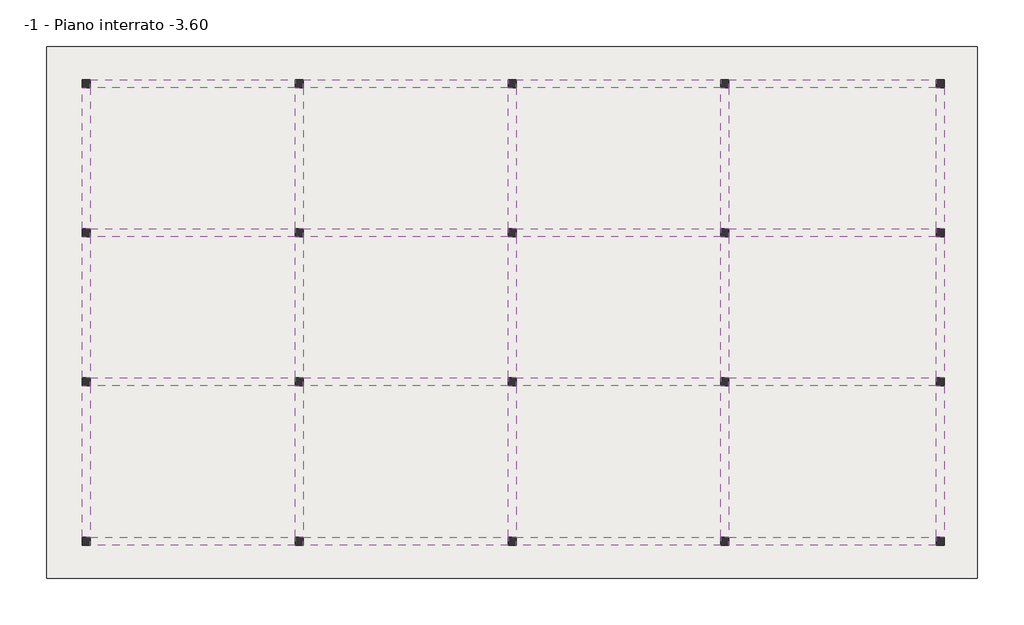
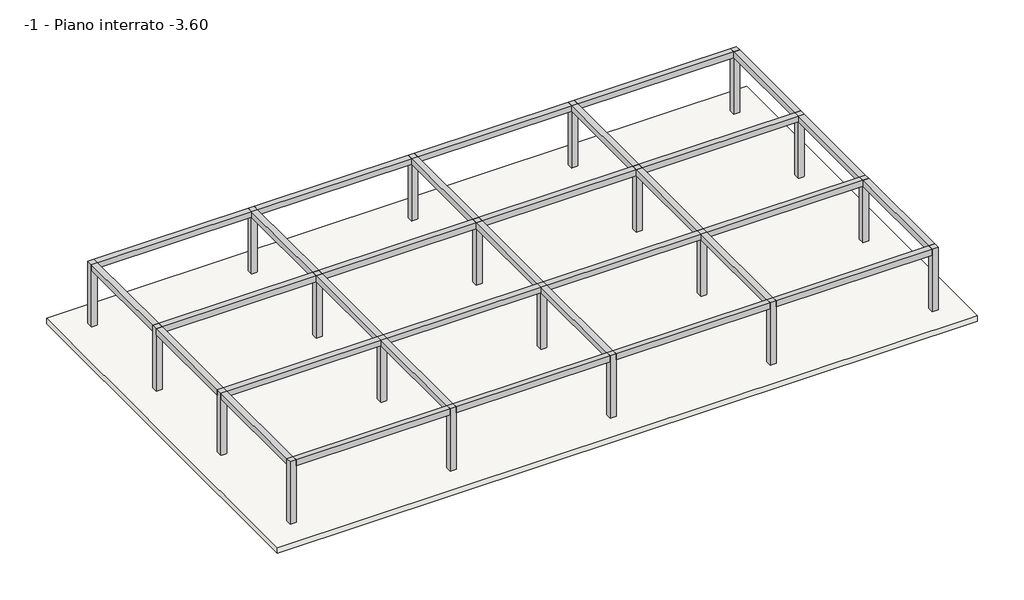
# One storey: 31 beams, 20 columns, 1 slab.
"""IFC4 building model written with IfcOpenShell, lengths in millimetres."""

from ifc_helpers import new_model, si_unit, frame, origin, place, context, project, spatial, polyline, outline, extrude, element, save

model = new_model("IFC4")

# Units and contexts
model_context = context("Model", 3, world=origin())
ifc_project = project(units=[si_unit("LENGTHUNIT", "METRE", prefix="MILLI")], contexts=[model_context])

# Site, building, storey
site = spatial("IfcSite", under=ifc_project)
building = spatial("IfcBuilding", under=site)
storey = spatial("IfcBuildingStorey", under=building, Name="-1 - Piano interrato -3.60", Elevation=-3600.0)

# Beams
placement = place(None, origin())
element("IfcBeam", 1, ObjectType="3M - Trave in cls - Rettangolare : 3M 300 x600mm", at=placement, inside=storey, context=model_context, shape_type="SweptSolid", body=[
    extrude(outline(polyline([(-20556.7371141, 5040.094284), (-20556.7371141, 5340.094284), (-12856.7371142, 5340.094284), (-12856.7371142, 5040.094284), (-20556.7371141, 5040.094284)])), frame((0.0, 0.0, -600.0), z_axis=(0.0, 0.0, 1.0), x_axis=(1.0, 0.0, 0.0)), (0.0, 0.0, 1.0), 300.0),
])
element("IfcBeam", 2, ObjectType="3M - Trave in cls - Rettangolare : 3M 300 x600mm", at=placement, inside=storey, context=model_context, shape_type="SweptSolid", body=[
    extrude(outline(polyline([(-12556.7371142, 5040.094284), (-12556.7371142, 5340.094284), (-4856.7371142, 5340.094284), (-4856.7371142, 5040.094284), (-12556.7371142, 5040.094284)])), frame((0.0, 0.0, -600.0), z_axis=(0.0, 0.0, 1.0), x_axis=(1.0, 0.0, 0.0)), (0.0, 0.0, 1.0), 300.0),
])
element("IfcBeam", 3, ObjectType="3M - Trave in cls - Rettangolare : 3M 300 x600mm", at=placement, inside=storey, context=model_context, shape_type="SweptSolid", body=[
    extrude(outline(polyline([(-4556.7371142, 5040.094284), (-4556.7371142, 5340.094284), (3143.2628858, 5340.094284), (3143.2628858, 5040.094284), (-4556.7371142, 5040.094284)])), frame((0.0, 0.0, -600.0), z_axis=(0.0, 0.0, 1.0), x_axis=(1.0, 0.0, 0.0)), (0.0, 0.0, 1.0), 300.0),
])
element("IfcBeam", 4, ObjectType="3M - Trave in cls - Rettangolare : 3M 300 x600mm", at=placement, inside=storey, context=model_context, shape_type="SweptSolid", body=[
    extrude(outline(polyline([(3443.2628858, 5040.094284), (3443.2628858, 5340.094284), (11243.2628858, 5340.094284), (11243.2628858, 5040.094284), (3443.2628858, 5040.094284)])), frame((0.0, 0.0, -600.0), z_axis=(0.0, 0.0, 1.0), x_axis=(1.0, 0.0, 0.0)), (0.0, 0.0, 1.0), 300.0),
])
element("IfcBeam", 5, ObjectType="3M - Trave in cls - Rettangolare : 3M 300 x600mm", at=placement, inside=storey, context=model_context, shape_type="SweptSolid", body=[
    extrude(outline(polyline([(-20556.7371141, -559.905716), (-20556.7371141, -259.905716), (-12856.7371142, -259.905716), (-12856.7371142, -559.905716), (-20556.7371141, -559.905716)])), frame((0.0, 0.0, -600.0), z_axis=(0.0, 0.0, 1.0), x_axis=(1.0, 0.0, 0.0)), (0.0, 0.0, 1.0), 300.0),
])
element("IfcBeam", 6, ObjectType="3M - Trave in cls - Rettangolare : 3M 300 x600mm", at=placement, inside=storey, context=model_context, shape_type="SweptSolid", body=[
    extrude(outline(polyline([(-12556.7371142, -559.905716), (-12556.7371142, -259.905716), (-4856.7371142, -259.905716), (-4856.7371142, -559.905716), (-12556.7371142, -559.905716)])), frame((0.0, 0.0, -600.0), z_axis=(0.0, 0.0, 1.0), x_axis=(1.0, 0.0, 0.0)), (0.0, 0.0, 1.0), 300.0),
])
element("IfcBeam", 7, ObjectType="3M - Trave in cls - Rettangolare : 3M 300 x600mm", at=placement, inside=storey, context=model_context, shape_type="SweptSolid", body=[
    extrude(outline(polyline([(-4556.7371142, -559.905716), (-4556.7371142, -259.905716), (3143.2628858, -259.905716), (3143.2628858, -559.905716), (-4556.7371142, -559.905716)])), frame((0.0, 0.0, -600.0), z_axis=(0.0, 0.0, 1.0), x_axis=(1.0, 0.0, 0.0)), (0.0, 0.0, 1.0), 300.0),
])
element("IfcBeam", 8, ObjectType="3M - Trave in cls - Rettangolare : 3M 300 x600mm", at=placement, inside=storey, context=model_context, shape_type="SweptSolid", body=[
    extrude(outline(polyline([(3443.2628858, -559.905716), (3443.2628858, -259.905716), (11243.2628858, -259.905716), (11243.2628858, -559.905716), (3443.2628858, -559.905716)])), frame((0.0, 0.0, -600.0), z_axis=(0.0, 0.0, 1.0), x_axis=(1.0, 0.0, 0.0)), (0.0, 0.0, 1.0), 300.0),
])
element("IfcBeam", 9, ObjectType="3M - Trave in cls - Rettangolare : 3M 300 x600mm", at=placement, inside=storey, context=model_context, shape_type="SweptSolid", body=[
    extrude(outline(polyline([(-20556.7371141, -6159.905716), (-20556.7371141, -5859.905716), (-12856.7371142, -5859.905716), (-12856.7371142, -6159.905716), (-20556.7371141, -6159.905716)])), frame((0.0, 0.0, -600.0), z_axis=(0.0, 0.0, 1.0), x_axis=(1.0, 0.0, 0.0)), (0.0, 0.0, 1.0), 300.0),
])
element("IfcBeam", 10, ObjectType="3M - Trave in cls - Rettangolare : 3M 300 x600mm", at=placement, inside=storey, context=model_context, shape_type="SweptSolid", body=[
    extrude(outline(polyline([(-12556.7371142, -6159.905716), (-12556.7371142, -5859.905716), (-4856.7371142, -5859.905716), (-4856.7371142, -6159.905716), (-12556.7371142, -6159.905716)])), frame((0.0, 0.0, -600.0), z_axis=(0.0, 0.0, 1.0), x_axis=(1.0, 0.0, 0.0)), (0.0, 0.0, 1.0), 300.0),
])
element("IfcBeam", 11, ObjectType="3M - Trave in cls - Rettangolare : 3M 300 x600mm", at=placement, inside=storey, context=model_context, shape_type="SweptSolid", body=[
    extrude(outline(polyline([(-4556.7371142, -6159.905716), (-4556.7371142, -5859.905716), (3143.2628858, -5859.905716), (3143.2628858, -6159.905716), (-4556.7371142, -6159.905716)])), frame((0.0, 0.0, -600.0), z_axis=(0.0, 0.0, 1.0), x_axis=(1.0, 0.0, 0.0)), (0.0, 0.0, 1.0), 300.0),
])
element("IfcBeam", 12, ObjectType="3M - Trave in cls - Rettangolare : 3M 300 x600mm", at=placement, inside=storey, context=model_context, shape_type="SweptSolid", body=[
    extrude(outline(polyline([(3443.2628858, -6159.905716), (3443.2628858, -5859.905716), (11243.2628858, -5859.905716), (11243.2628858, -6159.905716), (3443.2628858, -6159.905716)])), frame((0.0, 0.0, -600.0), z_axis=(0.0, 0.0, 1.0), x_axis=(1.0, 0.0, 0.0)), (0.0, 0.0, 1.0), 300.0),
])
element("IfcBeam", 13, ObjectType="3M - Trave in cls - Rettangolare : 3M 300 x600mm", at=placement, inside=storey, context=model_context, shape_type="SweptSolid", body=[
    extrude(outline(polyline([(-20556.7371142, -12159.905716), (-20556.7371142, -11859.905716), (-12856.7371142, -11859.905716), (-12856.7371142, -12159.905716), (-20556.7371142, -12159.905716)])), frame((0.0, 0.0, -600.0), z_axis=(0.0, 0.0, 1.0), x_axis=(1.0, 0.0, 0.0)), (0.0, 0.0, 1.0), 300.0),
])
element("IfcBeam", 14, ObjectType="3M - Trave in cls - Rettangolare : 3M 300 x600mm", at=placement, inside=storey, context=model_context, shape_type="SweptSolid", body=[
    extrude(outline(polyline([(-12556.7371142, -12159.905716), (-12556.7371142, -11859.905716), (-4856.7371142, -11859.905716), (-4856.7371142, -12159.905716), (-12556.7371142, -12159.905716)])), frame((0.0, 0.0, -600.0), z_axis=(0.0, 0.0, 1.0), x_axis=(1.0, 0.0, 0.0)), (0.0, 0.0, 1.0), 300.0),
])
element("IfcBeam", 15, ObjectType="3M - Trave in cls - Rettangolare : 3M 300 x600mm", at=placement, inside=storey, context=model_context, shape_type="SweptSolid", body=[
    extrude(outline(polyline([(-4556.7371142, -12159.905716), (-4556.7371142, -11859.905716), (3143.2628858, -11859.905716), (3143.2628858, -12159.905716), (-4556.7371142, -12159.905716)])), frame((0.0, 0.0, -600.0), z_axis=(0.0, 0.0, 1.0), x_axis=(1.0, 0.0, 0.0)), (0.0, 0.0, 1.0), 300.0),
])
element("IfcBeam", 16, ObjectType="3M - Trave in cls - Rettangolare : 3M 300 x600mm", at=placement, inside=storey, context=model_context, shape_type="SweptSolid", body=[
    extrude(outline(polyline([(3443.2628858, -12159.905716), (3443.2628858, -11859.905716), (11243.2628858, -11859.905716), (11243.2628858, -12159.905716), (3443.2628858, -12159.905716)])), frame((0.0, 0.0, -600.0), z_axis=(0.0, 0.0, 1.0), x_axis=(1.0, 0.0, 0.0)), (0.0, 0.0, 1.0), 300.0),
])
element("IfcBeam", 17, ObjectType="3M - Trave in cls - Rettangolare : 3M 300 x600mm", at=placement, inside=storey, context=model_context, shape_type="SweptSolid", body=[
    extrude(outline(polyline([(-20856.7371141, 5040.094284), (-20556.7371141, 5040.094284), (-20556.7371141, -259.905716), (-20856.7371141, -259.905716), (-20856.7371141, 5040.094284)])), frame((0.0, 0.0, -600.0), z_axis=(0.0, 0.0, 1.0), x_axis=(1.0, 0.0, 0.0)), (0.0, 0.0, 1.0), 300.0),
])
element("IfcBeam", 18, ObjectType="3M - Trave in cls - Rettangolare : 3M 300 x600mm", at=placement, inside=storey, context=model_context, shape_type="SweptSolid", body=[
    extrude(outline(polyline([(-20856.7371141, -559.905716), (-20556.7371141, -559.905716), (-20556.7371141, -5859.905716), (-20856.7371141, -5859.905716), (-20856.7371141, -559.905716)])), frame((0.0, 0.0, -600.0), z_axis=(0.0, 0.0, 1.0), x_axis=(1.0, 0.0, 0.0)), (0.0, 0.0, 1.0), 300.0),
])
element("IfcBeam", 19, ObjectType="3M - Trave in cls - Rettangolare : 3M 300 x600mm", at=placement, inside=storey, context=model_context, shape_type="SweptSolid", body=[
    extrude(outline(polyline([(-20856.7371141, -6159.905716), (-20556.7371141, -6159.905716), (-20556.7371142, -11859.905716), (-20856.7371142, -11859.905716), (-20856.7371141, -6159.905716)])), frame((0.0, 0.0, -600.0), z_axis=(0.0, 0.0, 1.0), x_axis=(1.0, 0.0, 0.0)), (0.0, 0.0, 1.0), 300.0),
])
element("IfcBeam", 20, ObjectType="3M - Trave in cls - Rettangolare : 3M 300 x600mm", at=placement, inside=storey, context=model_context, shape_type="SweptSolid", body=[
    extrude(outline(polyline([(-12856.7371142, 5040.094284), (-12556.7371142, 5040.094284), (-12556.7371142, -259.905716), (-12856.7371142, -259.905716), (-12856.7371142, 5040.094284)])), frame((0.0, 0.0, -600.0), z_axis=(0.0, 0.0, 1.0), x_axis=(1.0, 0.0, 0.0)), (0.0, 0.0, 1.0), 300.0),
])
element("IfcBeam", 21, ObjectType="3M - Trave in cls - Rettangolare : 3M 300 x600mm", at=placement, inside=storey, context=model_context, shape_type="SweptSolid", body=[
    extrude(outline(polyline([(-12856.7371142, -559.905716), (-12556.7371142, -559.905716), (-12556.7371142, -5859.905716), (-12856.7371142, -5859.905716), (-12856.7371142, -559.905716)])), frame((0.0, 0.0, -600.0), z_axis=(0.0, 0.0, 1.0), x_axis=(1.0, 0.0, 0.0)), (0.0, 0.0, 1.0), 300.0),
])
element("IfcBeam", 22, ObjectType="3M - Trave in cls - Rettangolare : 3M 300 x600mm", at=placement, inside=storey, context=model_context, shape_type="SweptSolid", body=[
    extrude(outline(polyline([(-12856.7371142, -6159.905716), (-12556.7371142, -6159.905716), (-12556.7371142, -11859.905716), (-12856.7371142, -11859.905716), (-12856.7371142, -6159.905716)])), frame((0.0, 0.0, -600.0), z_axis=(0.0, 0.0, 1.0), x_axis=(1.0, 0.0, 0.0)), (0.0, 0.0, 1.0), 300.0),
])
element("IfcBeam", 23, ObjectType="3M - Trave in cls - Rettangolare : 3M 300 x600mm", at=placement, inside=storey, context=model_context, shape_type="SweptSolid", body=[
    extrude(outline(polyline([(-4856.7371142, 5040.094284), (-4556.7371142, 5040.094284), (-4556.7371142, -259.905716), (-4856.7371142, -259.905716), (-4856.7371142, 5040.094284)])), frame((0.0, 0.0, -600.0), z_axis=(0.0, 0.0, 1.0), x_axis=(1.0, 0.0, 0.0)), (0.0, 0.0, 1.0), 300.0),
])
element("IfcBeam", 24, ObjectType="3M - Trave in cls - Rettangolare : 3M 300 x600mm", at=placement, inside=storey, context=model_context, shape_type="SweptSolid", body=[
    extrude(outline(polyline([(-4856.7371142, -559.905716), (-4556.7371142, -559.905716), (-4556.7371142, -5859.905716), (-4856.7371142, -5859.905716), (-4856.7371142, -559.905716)])), frame((0.0, 0.0, -600.0), z_axis=(0.0, 0.0, 1.0), x_axis=(1.0, 0.0, 0.0)), (0.0, 0.0, 1.0), 300.0),
])
element("IfcBeam", 25, ObjectType="3M - Trave in cls - Rettangolare : 3M 300 x600mm", at=placement, inside=storey, context=model_context, shape_type="SweptSolid", body=[
    extrude(outline(polyline([(-4856.7371142, -6159.905716), (-4556.7371142, -6159.905716), (-4556.7371142, -11859.905716), (-4856.7371142, -11859.905716), (-4856.7371142, -6159.905716)])), frame((0.0, 0.0, -600.0), z_axis=(0.0, 0.0, 1.0), x_axis=(1.0, 0.0, 0.0)), (0.0, 0.0, 1.0), 300.0),
])
element("IfcBeam", 26, ObjectType="3M - Trave in cls - Rettangolare : 3M 300 x600mm", at=placement, inside=storey, context=model_context, shape_type="SweptSolid", body=[
    extrude(outline(polyline([(3143.2628858, 5040.094284), (3443.2628858, 5040.094284), (3443.2628858, -259.905716), (3143.2628858, -259.905716), (3143.2628858, 5040.094284)])), frame((0.0, 0.0, -600.0), z_axis=(0.0, 0.0, 1.0), x_axis=(1.0, 0.0, 0.0)), (0.0, 0.0, 1.0), 300.0),
])
element("IfcBeam", 27, ObjectType="3M - Trave in cls - Rettangolare : 3M 300 x600mm", at=placement, inside=storey, context=model_context, shape_type="SweptSolid", body=[
    extrude(outline(polyline([(3143.2628858, -559.905716), (3443.2628858, -559.905716), (3443.2628858, -5859.905716), (3143.2628858, -5859.905716), (3143.2628858, -559.905716)])), frame((0.0, 0.0, -600.0), z_axis=(0.0, 0.0, 1.0), x_axis=(1.0, 0.0, 0.0)), (0.0, 0.0, 1.0), 300.0),
])
element("IfcBeam", 28, ObjectType="3M - Trave in cls - Rettangolare : 3M 300 x600mm", at=placement, inside=storey, context=model_context, shape_type="SweptSolid", body=[
    extrude(outline(polyline([(3143.2628858, -6159.905716), (3443.2628858, -6159.905716), (3443.2628858, -11859.905716), (3143.2628858, -11859.905716), (3143.2628858, -6159.905716)])), frame((0.0, 0.0, -600.0), z_axis=(0.0, 0.0, 1.0), x_axis=(1.0, 0.0, 0.0)), (0.0, 0.0, 1.0), 300.0),
])
element("IfcBeam", 29, ObjectType="3M - Trave in cls - Rettangolare : 3M 300 x600mm", at=placement, inside=storey, context=model_context, shape_type="SweptSolid", body=[
    extrude(outline(polyline([(11243.2628858, 5040.094284), (11543.2628858, 5040.094284), (11543.2628858, -259.905716), (11243.2628858, -259.905716), (11243.2628858, 5040.094284)])), frame((0.0, 0.0, -600.0), z_axis=(0.0, 0.0, 1.0), x_axis=(1.0, 0.0, 0.0)), (0.0, 0.0, 1.0), 300.0),
])
element("IfcBeam", 30, ObjectType="3M - Trave in cls - Rettangolare : 3M 300 x600mm", at=placement, inside=storey, context=model_context, shape_type="SweptSolid", body=[
    extrude(outline(polyline([(11243.2628858, -559.905716), (11543.2628858, -559.905716), (11543.2628858, -5859.905716), (11243.2628858, -5859.905716), (11243.2628858, -559.905716)])), frame((0.0, 0.0, -600.0), z_axis=(0.0, 0.0, 1.0), x_axis=(1.0, 0.0, 0.0)), (0.0, 0.0, 1.0), 300.0),
])
element("IfcBeam", 31, ObjectType="3M - Trave in cls - Rettangolare : 3M 300 x600mm", at=placement, inside=storey, context=model_context, shape_type="SweptSolid", body=[
    extrude(outline(polyline([(11243.2628858, -6159.905716), (11543.2628858, -6159.905716), (11543.2628858, -11859.905716), (11243.2628858, -11859.905716), (11243.2628858, -6159.905716)])), frame((0.0, 0.0, -600.0), z_axis=(0.0, 0.0, 1.0), x_axis=(1.0, 0.0, 0.0)), (0.0, 0.0, 1.0), 300.0),
])

# Columns
element("IfcColumn", 32, ObjectType="3M - Pilastro in cemento - Rettangolare : 30x30", at=placement, inside=storey, context=model_context, shape_type="SweptSolid", body=[
    extrude(outline(polyline([(-20556.7371141, 5340.094284), (-20556.7371141, 5040.094284), (-20856.7371141, 5040.094284), (-20856.7371141, 5340.094284), (-20556.7371141, 5340.094284)])), frame((0.0, 0.0, -3600.0), z_axis=(0.0, 0.0, 1.0), x_axis=(1.0, 0.0, 0.0)), (0.0, 0.0, 1.0), 3300.0),
])
element("IfcColumn", 33, ObjectType="3M - Pilastro in cemento - Rettangolare : 30x30", at=placement, inside=storey, context=model_context, shape_type="SweptSolid", body=[
    extrude(outline(polyline([(-12556.7371142, 5340.094284), (-12556.7371142, 5040.094284), (-12856.7371142, 5040.094284), (-12856.7371142, 5340.094284), (-12556.7371142, 5340.094284)])), frame((0.0, 0.0, -3600.0), z_axis=(0.0, 0.0, 1.0), x_axis=(1.0, 0.0, 0.0)), (0.0, 0.0, 1.0), 3300.0),
])
element("IfcColumn", 34, ObjectType="3M - Pilastro in cemento - Rettangolare : 30x30", at=placement, inside=storey, context=model_context, shape_type="SweptSolid", body=[
    extrude(outline(polyline([(-4556.7371142, 5340.094284), (-4556.7371142, 5040.094284), (-4856.7371142, 5040.094284), (-4856.7371142, 5340.094284), (-4556.7371142, 5340.094284)])), frame((0.0, 0.0, -3600.0), z_axis=(0.0, 0.0, 1.0), x_axis=(1.0, 0.0, 0.0)), (0.0, 0.0, 1.0), 3300.0),
])
element("IfcColumn", 35, ObjectType="3M - Pilastro in cemento - Rettangolare : 30x30", at=placement, inside=storey, context=model_context, shape_type="SweptSolid", body=[
    extrude(outline(polyline([(3443.2628858, 5340.094284), (3443.2628858, 5040.094284), (3143.2628858, 5040.094284), (3143.2628858, 5340.094284), (3443.2628858, 5340.094284)])), frame((0.0, 0.0, -3600.0), z_axis=(0.0, 0.0, 1.0), x_axis=(1.0, 0.0, 0.0)), (0.0, 0.0, 1.0), 3300.0),
])
element("IfcColumn", 36, ObjectType="3M - Pilastro in cemento - Rettangolare : 30x30", at=placement, inside=storey, context=model_context, shape_type="SweptSolid", body=[
    extrude(outline(polyline([(11543.2628858, 5340.094284), (11543.2628858, 5040.094284), (11243.2628858, 5040.094284), (11243.2628858, 5340.094284), (11543.2628858, 5340.094284)])), frame((0.0, 0.0, -3600.0), z_axis=(0.0, 0.0, 1.0), x_axis=(1.0, 0.0, 0.0)), (0.0, 0.0, 1.0), 3300.0),
])
element("IfcColumn", 37, ObjectType="3M - Pilastro in cemento - Rettangolare : 30x30", at=placement, inside=storey, context=model_context, shape_type="SweptSolid", body=[
    extrude(outline(polyline([(-20556.7371141, -259.905716), (-20556.7371141, -559.905716), (-20856.7371141, -559.905716), (-20856.7371141, -259.905716), (-20556.7371141, -259.905716)])), frame((0.0, 0.0, -3600.0), z_axis=(0.0, 0.0, 1.0), x_axis=(1.0, 0.0, 0.0)), (0.0, 0.0, 1.0), 3300.0),
])
element("IfcColumn", 38, ObjectType="3M - Pilastro in cemento - Rettangolare : 30x30", at=placement, inside=storey, context=model_context, shape_type="SweptSolid", body=[
    extrude(outline(polyline([(-12556.7371142, -259.905716), (-12556.7371142, -559.905716), (-12856.7371142, -559.905716), (-12856.7371142, -259.905716), (-12556.7371142, -259.905716)])), frame((0.0, 0.0, -3600.0), z_axis=(0.0, 0.0, 1.0), x_axis=(1.0, 0.0, 0.0)), (0.0, 0.0, 1.0), 3300.0),
])
element("IfcColumn", 39, ObjectType="3M - Pilastro in cemento - Rettangolare : 30x30", at=placement, inside=storey, context=model_context, shape_type="SweptSolid", body=[
    extrude(outline(polyline([(-4556.7371142, -259.905716), (-4556.7371142, -559.905716), (-4856.7371142, -559.905716), (-4856.7371142, -259.905716), (-4556.7371142, -259.905716)])), frame((0.0, 0.0, -3600.0), z_axis=(0.0, 0.0, 1.0), x_axis=(1.0, 0.0, 0.0)), (0.0, 0.0, 1.0), 3300.0),
])
element("IfcColumn", 40, ObjectType="3M - Pilastro in cemento - Rettangolare : 30x30", at=placement, inside=storey, context=model_context, shape_type="SweptSolid", body=[
    extrude(outline(polyline([(3443.2628858, -259.905716), (3443.2628858, -559.905716), (3143.2628858, -559.905716), (3143.2628858, -259.905716), (3443.2628858, -259.905716)])), frame((0.0, 0.0, -3600.0), z_axis=(0.0, 0.0, 1.0), x_axis=(1.0, 0.0, 0.0)), (0.0, 0.0, 1.0), 3300.0),
])
element("IfcColumn", 41, ObjectType="3M - Pilastro in cemento - Rettangolare : 30x30", at=placement, inside=storey, context=model_context, shape_type="SweptSolid", body=[
    extrude(outline(polyline([(11543.2628858, -259.905716), (11543.2628858, -559.905716), (11243.2628858, -559.905716), (11243.2628858, -259.905716), (11543.2628858, -259.905716)])), frame((0.0, 0.0, -3600.0), z_axis=(0.0, 0.0, 1.0), x_axis=(1.0, 0.0, 0.0)), (0.0, 0.0, 1.0), 3300.0),
])
element("IfcColumn", 42, ObjectType="3M - Pilastro in cemento - Rettangolare : 30x30", at=placement, inside=storey, context=model_context, shape_type="SweptSolid", body=[
    extrude(outline(polyline([(-20556.7371141, -5859.905716), (-20556.7371141, -6159.905716), (-20856.7371141, -6159.905716), (-20856.7371141, -5859.905716), (-20556.7371141, -5859.905716)])), frame((0.0, 0.0, -3600.0), z_axis=(0.0, 0.0, 1.0), x_axis=(1.0, 0.0, 0.0)), (0.0, 0.0, 1.0), 3300.0),
])
element("IfcColumn", 43, ObjectType="3M - Pilastro in cemento - Rettangolare : 30x30", at=placement, inside=storey, context=model_context, shape_type="SweptSolid", body=[
    extrude(outline(polyline([(-12556.7371142, -5859.905716), (-12556.7371142, -6159.905716), (-12856.7371142, -6159.905716), (-12856.7371142, -5859.905716), (-12556.7371142, -5859.905716)])), frame((0.0, 0.0, -3600.0), z_axis=(0.0, 0.0, 1.0), x_axis=(1.0, 0.0, 0.0)), (0.0, 0.0, 1.0), 3300.0),
])
element("IfcColumn", 44, ObjectType="3M - Pilastro in cemento - Rettangolare : 30x30", at=placement, inside=storey, context=model_context, shape_type="SweptSolid", body=[
    extrude(outline(polyline([(-4556.7371142, -5859.905716), (-4556.7371142, -6159.905716), (-4856.7371142, -6159.905716), (-4856.7371142, -5859.905716), (-4556.7371142, -5859.905716)])), frame((0.0, 0.0, -3600.0), z_axis=(0.0, 0.0, 1.0), x_axis=(1.0, 0.0, 0.0)), (0.0, 0.0, 1.0), 3300.0),
])
element("IfcColumn", 45, ObjectType="3M - Pilastro in cemento - Rettangolare : 30x30", at=placement, inside=storey, context=model_context, shape_type="SweptSolid", body=[
    extrude(outline(polyline([(3443.2628858, -5859.905716), (3443.2628858, -6159.905716), (3143.2628858, -6159.905716), (3143.2628858, -5859.905716), (3443.2628858, -5859.905716)])), frame((0.0, 0.0, -3600.0), z_axis=(0.0, 0.0, 1.0), x_axis=(1.0, 0.0, 0.0)), (0.0, 0.0, 1.0), 3300.0),
])
element("IfcColumn", 46, ObjectType="3M - Pilastro in cemento - Rettangolare : 30x30", at=placement, inside=storey, context=model_context, shape_type="SweptSolid", body=[
    extrude(outline(polyline([(11543.2628858, -5859.905716), (11543.2628858, -6159.905716), (11243.2628858, -6159.905716), (11243.2628858, -5859.905716), (11543.2628858, -5859.905716)])), frame((0.0, 0.0, -3600.0), z_axis=(0.0, 0.0, 1.0), x_axis=(1.0, 0.0, 0.0)), (0.0, 0.0, 1.0), 3300.0),
])
element("IfcColumn", 47, ObjectType="3M - Pilastro in cemento - Rettangolare : 30x30", at=placement, inside=storey, context=model_context, shape_type="SweptSolid", body=[
    extrude(outline(polyline([(-20556.7371142, -11859.905716), (-20556.7371142, -12159.905716), (-20856.7371142, -12159.905716), (-20856.7371142, -11859.905716), (-20556.7371142, -11859.905716)])), frame((0.0, 0.0, -3600.0), z_axis=(0.0, 0.0, 1.0), x_axis=(1.0, 0.0, 0.0)), (0.0, 0.0, 1.0), 3300.0),
])
element("IfcColumn", 48, ObjectType="3M - Pilastro in cemento - Rettangolare : 30x30", at=placement, inside=storey, context=model_context, shape_type="SweptSolid", body=[
    extrude(outline(polyline([(-12556.7371142, -11859.905716), (-12556.7371142, -12159.905716), (-12856.7371142, -12159.905716), (-12856.7371142, -11859.905716), (-12556.7371142, -11859.905716)])), frame((0.0, 0.0, -3600.0), z_axis=(0.0, 0.0, 1.0), x_axis=(1.0, 0.0, 0.0)), (0.0, 0.0, 1.0), 3300.0),
])
element("IfcColumn", 49, ObjectType="3M - Pilastro in cemento - Rettangolare : 30x30", at=placement, inside=storey, context=model_context, shape_type="SweptSolid", body=[
    extrude(outline(polyline([(-4556.7371142, -11859.905716), (-4556.7371142, -12159.905716), (-4856.7371142, -12159.905716), (-4856.7371142, -11859.905716), (-4556.7371142, -11859.905716)])), frame((0.0, 0.0, -3600.0), z_axis=(0.0, 0.0, 1.0), x_axis=(1.0, 0.0, 0.0)), (0.0, 0.0, 1.0), 3300.0),
])
element("IfcColumn", 50, ObjectType="3M - Pilastro in cemento - Rettangolare : 30x30", at=placement, inside=storey, context=model_context, shape_type="SweptSolid", body=[
    extrude(outline(polyline([(3443.2628858, -11859.905716), (3443.2628858, -12159.905716), (3143.2628858, -12159.905716), (3143.2628858, -11859.905716), (3443.2628858, -11859.905716)])), frame((0.0, 0.0, -3600.0), z_axis=(0.0, 0.0, 1.0), x_axis=(1.0, 0.0, 0.0)), (0.0, 0.0, 1.0), 3300.0),
])
element("IfcColumn", 51, ObjectType="3M - Pilastro in cemento - Rettangolare : 30x30", at=placement, inside=storey, context=model_context, shape_type="SweptSolid", body=[
    extrude(outline(polyline([(11543.2628858, -11859.905716), (11543.2628858, -12159.905716), (11243.2628858, -12159.905716), (11243.2628858, -11859.905716), (11543.2628858, -11859.905716)])), frame((0.0, 0.0, -3600.0), z_axis=(0.0, 0.0, 1.0), x_axis=(1.0, 0.0, 0.0)), (0.0, 0.0, 1.0), 3300.0),
])

# Slab
element("IfcSlab", 52, ObjectType="3M - Latero Cementizio - 30 cm", at=placement, inside=storey, context=model_context, shape_type="SweptSolid", body=[
    extrude(outline(polyline([(12790.4307218, 6590.094284), (12790.4307218, -13395.9461405), (-22206.7371141, -13395.9461405), (-22206.7371141, 6590.094284), (12790.4307218, 6590.094284)])), frame((0.0, 0.0, -3900.0), z_axis=(0.0, 0.0, 1.0), x_axis=(1.0, 0.0, 0.0)), (0.0, 0.0, 1.0), 300.0),
])

save(model, "model.ifc")
